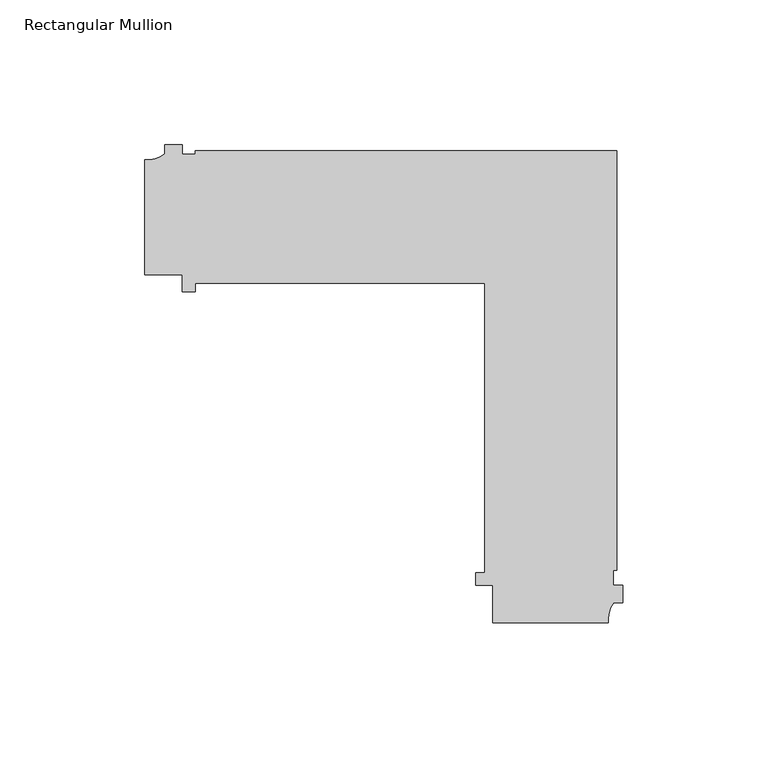
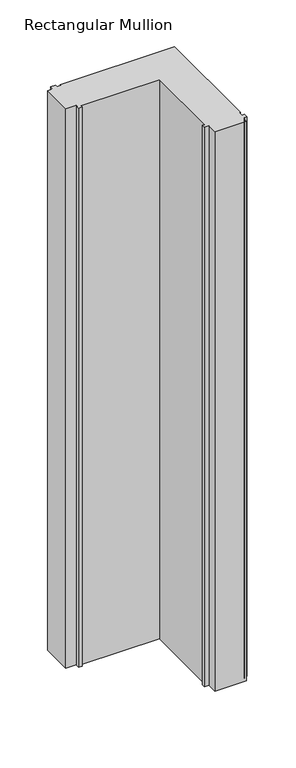
"""IFC4 building model written with IfcOpenShell, lengths in millimetres: member geometry, Rectangular Mullion."""

from ifc_helpers import new_model, si_unit, point, frame, frame_2d, origin, place, context, project, spatial, polyline, circle_curve, trimmed, segment, composite_curve, outline, extrude, source, transform, mapped, element, save


def rectangular_mullion_d9716f72(model_context):
    return source(origin(), model_context, "Body", "SweptSolid", [
        extrude(outline(composite_curve([segment(trimmed(circle_curve(frame_2d((-164.3097732, 25.7981787)), 10.4563907), [point((-165.1999104, 15.379745))], [point((-158.1999713, 17.3125187))], True, "CARTESIAN"), True, "CONTINUOUS"), segment(polyline([(-158.1999713, 17.3125187), (-158.1999713, 20.4999975), (-152.1999713, 20.4999975), (-152.1999713, 17.2147834), (-147.7306489, 17.2147834), (-147.7306489, 18.4147834), (-2.0852141, 18.4147834), (-2.0852141, -126.4999738), (-3.2852141, -126.4999738), (-3.2852141, -131.6999738), (0.0, -131.6999738), (0.0, -137.6999738), (-3.1874788, -137.6999738)]), True, "CONTINUOUS"), segment(trimmed(circle_curve(frame_2d((5.2981812, -143.8097757)), 10.4563907), [point((-3.1874788, -137.6999738))], [point((-5.1202525, -144.6999129))], True, "CARTESIAN"), True, "CONTINUOUS"), segment(polyline([(-5.1202525, -144.6999129), (-45.0, -144.6999129), (-45.0, -131.6999738), (-50.8, -131.6999738), (-50.8, -127.3000025), (-47.8, -127.3000025), (-47.8, -27.3000025), (-147.8, -27.3000025), (-147.8, -30.3000025), (-152.1999713, -30.3000025), (-152.1999713, -24.5000025), (-165.1999104, -24.5000025), (-165.1999104, 15.379745)]), True, "CONTINUOUS")], self_intersect=False)), frame((0.0, 0.0, -750.9091217), z_axis=(0.0, 0.0, 1.0), x_axis=(1.0, 0.0, 0.0)), (0.0, 0.0, 1.0), 750.9091217),
    ])


if __name__ == "__main__":
    model = new_model("IFC4")
    model_context = context("Model", 3, world=origin())
    ifc_project = project(units=[si_unit("LENGTHUNIT", "METRE", prefix="MILLI")], contexts=[model_context])
    site = spatial("IfcSite", under=ifc_project)
    building = spatial("IfcBuilding", under=site)
    placement = place(None, origin())
    rectangular_mullion_shape = rectangular_mullion_d9716f72(model_context)
    element("IfcMember", 1, ObjectType="Rectangular Mullion", at=placement, inside=building, context=model_context, shape_type="MappedRepresentation", body=[
        mapped(rectangular_mullion_shape, transform((0.0, 0.0, 0.0), x_axis=(1.0, 0.0, 0.0), y_axis=(0.0, 1.0, 0.0), z_axis=(0.0, 0.0, 1.0))),
    ])
    save(model, "model.ifc")
